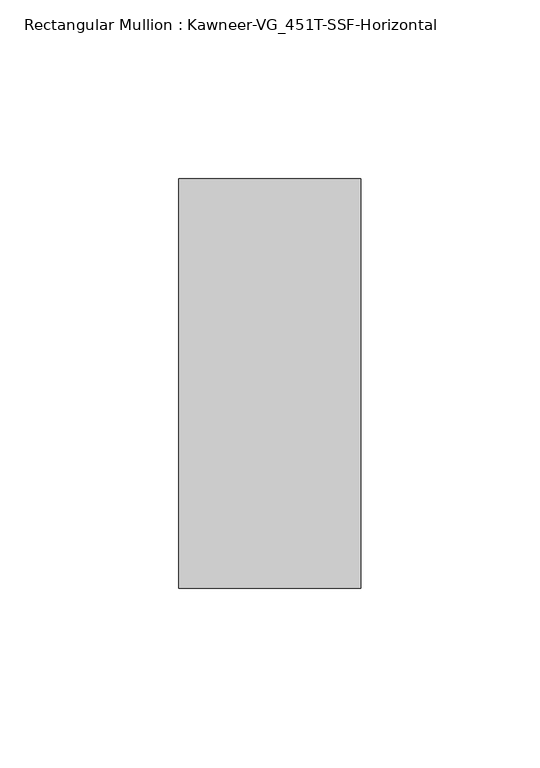
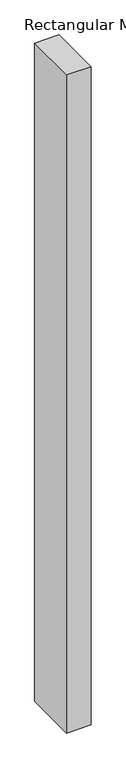
"""IFC4 building model written with IfcOpenShell, lengths in millimetres: member geometry, Rectangular Mullion : Kawneer-VG_451T-SSF-Horizontal."""

from ifc_helpers import new_model, si_unit, frame, origin, place, context, project, spatial, polyline, outline, extrude, source, transform, mapped, element, save


def rectangular_mullion_kawneer_vg_451t_ssf_horizontal_f5af0a38(model_context):
    return source(origin(), model_context, "Body", "SweptSolid", [
        extrude(outline(polyline([(25.4, 57.15), (25.4, -57.15), (-25.4, -57.15), (-25.4, 57.15), (25.4, 57.15)])), frame((0.0, 0.0, -1443.0375), z_axis=(0.0, 0.0, 1.0), x_axis=(1.0, 0.0, 0.0)), (0.0, 0.0, 1.0), 1443.0375),
    ])


if __name__ == "__main__":
    model = new_model("IFC4")
    model_context = context("Model", 3, world=origin())
    ifc_project = project(units=[si_unit("LENGTHUNIT", "METRE", prefix="MILLI")], contexts=[model_context])
    site = spatial("IfcSite", under=ifc_project)
    building = spatial("IfcBuilding", under=site)
    placement = place(None, origin())
    rectangular_mullion_kawneer_vg_451t_ssf_horizontal_shape = rectangular_mullion_kawneer_vg_451t_ssf_horizontal_f5af0a38(model_context)
    element("IfcMember", 1, ObjectType="Rectangular Mullion : Kawneer-VG_451T-SSF-Horizontal", at=placement, inside=building, context=model_context, shape_type="MappedRepresentation", body=[
        mapped(rectangular_mullion_kawneer_vg_451t_ssf_horizontal_shape, transform((0.0, 0.0, 0.0), x_axis=(1.0, 0.0, 0.0), y_axis=(0.0, 1.0, 0.0), z_axis=(0.0, 0.0, 1.0))),
    ])
    save(model, "model.ifc")
